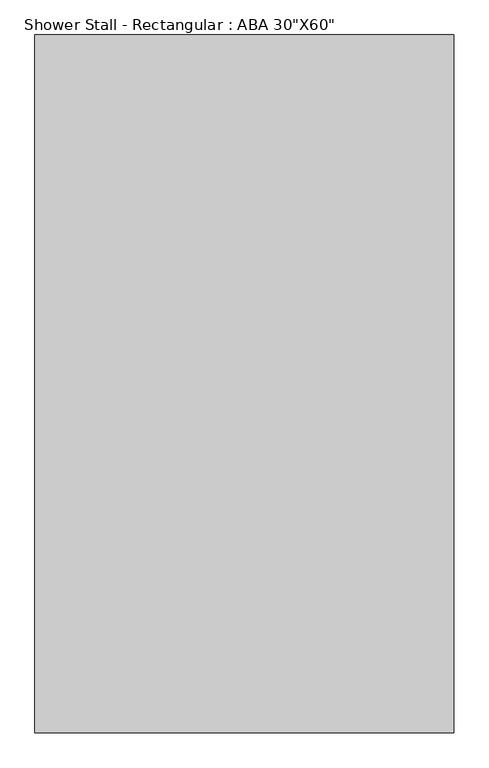
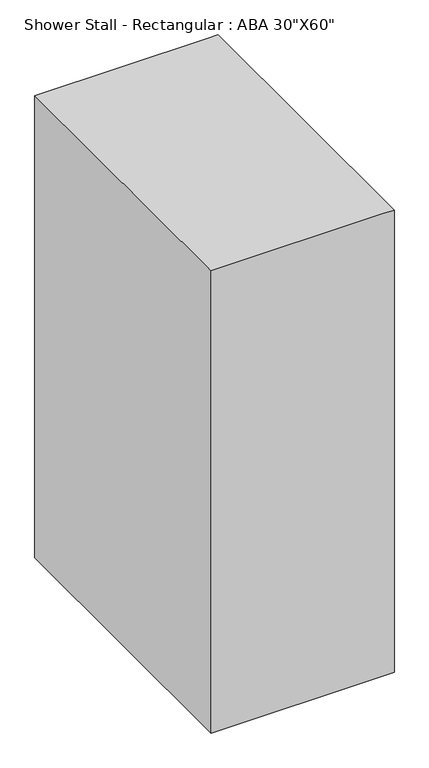
"""IFC4 building model written with IfcOpenShell, lengths in millimetres: flow terminal geometry."""

from ifc_helpers import new_model, si_unit, point, frame, frame_2d, origin, origin_with_axes, place, context, project, spatial, polyline, circle_curve, trimmed, segment, composite_curve, outline, extrude, faceted_brep, source, transform, mapped, element, save


def flow_terminal_944f1750(model_context):
    return source(origin(), model_context, "Body", "SolidModel", [
        extrude(outline(composite_curve([segment(trimmed(circle_curve(frame_2d((457.2, -762.0)), 31.75), [point((425.45, -762.0))], [point((488.95, -762.0))], False, "CARTESIAN"), True, "CONTINUOUS"), segment(trimmed(circle_curve(frame_2d((457.2, -762.0)), 31.75), [point((488.95, -762.0))], [point((425.45, -762.0))], False, "CARTESIAN"), True, "CONTINUOUS")], self_intersect=False)), origin_with_axes(), (0.0, 0.0, 1.0), 101.6),
        faceted_brep([(0.0, -1524.0, 2438.4), (863.6, -1524.0, 2438.4), (914.4, -1524.0, 2438.4), (914.4, 0.0, 2438.4), (863.6, 0.0, 2438.4), (0.0, 0.0, 2438.4), (0.0, 0.0, 0.0), (863.6, 0.0, 0.0), (914.4, 0.0, 0.0), (914.4, -1524.0, 0.0), (863.6, -1524.0, 0.0), (0.0, -1524.0, 0.0), (914.4, -476.25, 2362.2), (914.4, -476.25, 101.6), (914.4, -1047.75, 101.6), (914.4, -1047.75, 2362.2), (50.8, -1473.2, 2362.2), (50.8, -1473.2, 101.6), (50.8, -50.8, 101.6), (50.8, -50.8, 2362.2), (863.6, -50.8, 2362.2), (863.6, -476.25, 2362.2), (863.6, -1047.75, 2362.2), (863.6, -1473.2, 2362.2), (863.6, -50.8, 101.6), (863.6, -1473.2, 101.6), (863.6, -1047.75, 101.6), (863.6, -476.25, 101.6)], [[[0, 1, 2, 3, 4, 5]], [[6, 7, 8, 9, 10, 11]], [[2, 1, 0, 11, 10, 9]], [[5, 6, 11, 0]], [[5, 4, 3, 8, 7, 6]], [[9, 8, 3, 2], [12, 13, 14, 15]], [[16, 17, 18, 19]], [[19, 20, 21, 12, 15, 22, 23, 16]], [[18, 24, 20, 19]], [[17, 25, 26, 14, 13, 27, 24, 18]], [[16, 23, 25, 17]], [[26, 25, 23, 22]], [[14, 26, 22, 15]], [[12, 21, 27, 13]], [[21, 20, 24, 27]]]),
        extrude(outline(polyline([(901.7, -1047.75), (869.95, -1047.75), (869.95, -1041.4), (895.35, -1041.4), (895.35, -482.6), (869.95, -482.6), (869.95, -476.25), (901.7, -476.25), (901.7, -1047.75)])), frame((0.0, 0.0, 762.0), z_axis=(0.0, 0.0, 1.0), x_axis=(1.0, 0.0, 0.0)), (0.0, 0.0, 1.0), 76.2),
        extrude(outline(polyline([(869.95, -1047.75), (863.6, -1047.75), (863.6, -476.25), (869.95, -476.25), (869.95, -1047.75)])), frame((0.0, 0.0, 101.6), z_axis=(0.0, 0.0, 1.0), x_axis=(1.0, 0.0, 0.0)), (0.0, 0.0, 1.0), 2260.6),
    ])


if __name__ == "__main__":
    model = new_model("IFC4")
    model_context = context("Model", 3, world=origin())
    ifc_project = project(units=[si_unit("LENGTHUNIT", "METRE", prefix="MILLI")], contexts=[model_context])
    site = spatial("IfcSite", under=ifc_project)
    building = spatial("IfcBuilding", under=site)
    placement = place(None, origin())
    flow_terminal_shape = flow_terminal_944f1750(model_context)
    element("IfcFlowTerminal", 1, ObjectType="Shower Stall - Rectangular : ABA 30\"X60\"", at=placement, inside=building, context=model_context, shape_type="MappedRepresentation", body=[
        mapped(flow_terminal_shape, transform((0.0, 0.0, 0.0), x_axis=(1.0, 0.0, 0.0), y_axis=(0.0, 1.0, 0.0), z_axis=(0.0, 0.0, 1.0))),
    ])
    save(model, "model.ifc")
